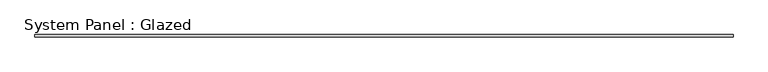
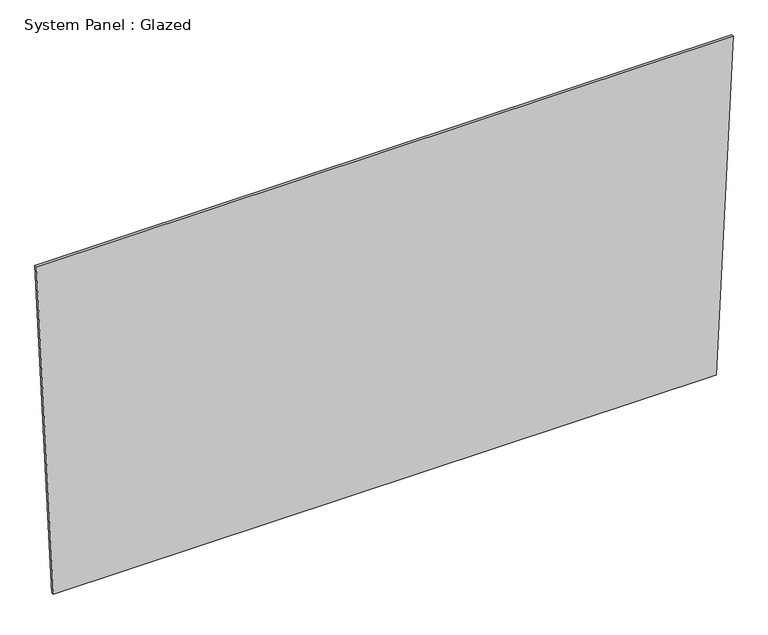
"""IFC4 building model written with IfcOpenShell, lengths in millimetres: plate geometry, System Panel : Glazed."""

from ifc_helpers import new_model, si_unit, frame, origin, place, context, project, spatial, polyline, outline, extrude, source, transform, mapped, element, save


def system_panel_glazed_f3dcf337(model_context):
    return source(origin(), model_context, "Body", "SweptSolid", [
        extrude(outline(polyline([(0.0, -3232.8188876), (0.0, 3232.8188876), (3437.5346876, 3399.1869381), (3437.5346876, -3399.1869381), (0.0, -3232.8188876)])), frame((0.0, -49.5, 0.0), z_axis=(0.0, 1.0, 0.0), x_axis=(0.0, 0.0, 1.0)), (0.0, 0.0, 1.0), 25.0),
    ])


if __name__ == "__main__":
    model = new_model("IFC4")
    model_context = context("Model", 3, world=origin())
    ifc_project = project(units=[si_unit("LENGTHUNIT", "METRE", prefix="MILLI")], contexts=[model_context])
    site = spatial("IfcSite", under=ifc_project)
    building = spatial("IfcBuilding", under=site)
    placement = place(None, origin())
    system_panel_glazed_shape = system_panel_glazed_f3dcf337(model_context)
    element("IfcPlate", 1, ObjectType="System Panel : Glazed", at=placement, inside=building, context=model_context, shape_type="MappedRepresentation", body=[
        mapped(system_panel_glazed_shape, transform((0.0, 0.0, 0.0), x_axis=(1.0, 0.0, 0.0), y_axis=(0.0, 1.0, 0.0), z_axis=(0.0, 0.0, 1.0))),
    ])
    save(model, "model.ifc")
